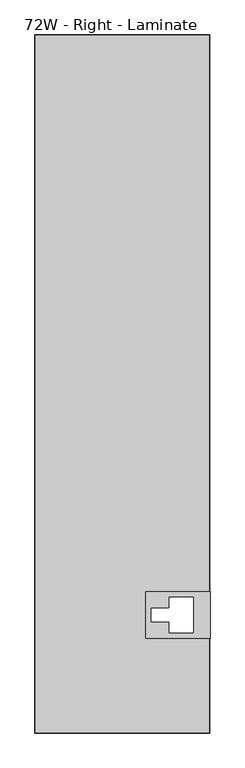
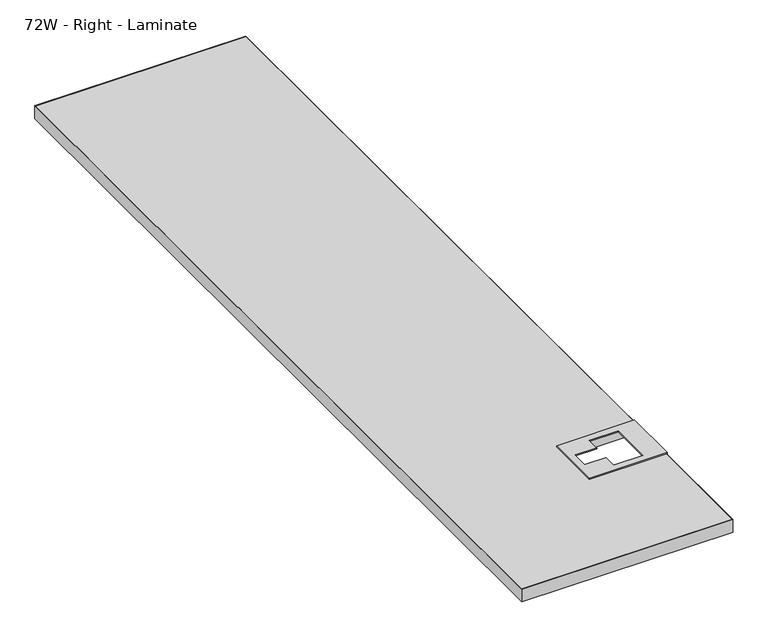
"""IFC4 building model written with IfcOpenShell, lengths in millimetres: furniture geometry, 72W - Right - Laminate."""

from ifc_helpers import new_model, si_unit, frame, origin, place, context, project, spatial, polyline, outline, extrude, faceted_brep, source, transform, mapped, element, save


def furniture_72w_right_laminate_9381bec6(model_context):
    return source(origin(), model_context, "Body", "SolidModel", [
        faceted_brep([(4273.6154005, 245.9624873, 409.5798689), (4441.4721456, 245.9624873, 409.5798689), (4441.4721456, 245.9624873, 379.8896753), (4442.4881456, 245.9624873, 379.8896753), (4442.4881456, 245.9624873, 411.9798677), (4273.6154005, 245.9624873, 411.9798677), (4273.6154005, 368.6703371, 409.5798689), (4273.6154005, 368.6703371, 411.9798677), (4442.4881456, 368.6703371, 411.9798677), (4442.4881456, 368.6703371, 379.8896753), (4441.4721456, 368.6703371, 379.8896753), (4441.4721456, 368.6703371, 409.5798689), (4289.0721456, 289.7887093, 411.9798677), (4289.0721456, 324.8929323, 411.9798677), (4335.302754, 324.8929323, 411.9798677), (4335.302754, 353.5482623, 411.9798677), (4398.802754, 353.5482623, 411.9798677), (4398.802754, 261.051292, 411.9798677), (4335.302754, 261.051292, 411.9798677), (4335.302754, 289.7887093, 411.9798677), (4335.302754, 289.7887093, 409.5798689), (4335.302754, 261.051292, 409.5798689), (4398.802754, 261.051292, 409.5798689), (4398.802754, 353.5482623, 409.5798689), (4335.302754, 353.5482623, 409.5798689), (4335.302754, 324.8929323, 409.5798689), (4289.0721456, 324.8929323, 409.5798689), (4289.0721456, 289.7887093, 409.5798689)], [[[0, 1, 2, 3, 4, 5]], [[6, 7, 8, 9, 10, 11]], [[5, 7, 6, 0]], [[4, 8, 7, 5], [12, 13, 14, 15, 16, 17, 18, 19]], [[3, 9, 8, 4]], [[2, 10, 9, 3]], [[1, 11, 10, 2]], [[0, 6, 11, 1], [20, 21, 22, 23, 24, 25, 26, 27]], [[20, 27, 12, 19]], [[19, 18, 21, 20]], [[18, 17, 22, 21]], [[17, 16, 23, 22]], [[16, 15, 24, 23]], [[15, 14, 25, 24]], [[14, 13, 26, 25]], [[27, 26, 13, 12]]]),
        extrude(outline(polyline([(4440.4799581, 1825.9040208), (4440.4799581, 368.6703371), (4273.6154005, 368.6703371), (4273.6154005, 245.9624873), (4440.4799581, 245.9624873), (4440.4799581, -0.9116042), (3984.6690206, -0.9116042), (3984.6690206, 1825.9040208), (4440.4799581, 1825.9040208)])), frame((0.0, 0.0, 379.8896753), z_axis=(0.0, 0.0, 1.0), x_axis=(1.0, 0.0, 0.0)), (0.0, 0.0, 1.0), 29.6901936),
        extrude(outline(polyline([(4441.4721456, -1.9276042), (3983.6768331, -1.9276042), (3983.6768331, 1826.8723958), (4441.4721456, 1826.8723958), (4441.4721456, -1.9276042)]), holes=[polyline([(3984.6690206, 1825.9040208), (3984.6690206, -0.9116042), (4440.4799581, -0.9116042), (4440.4799581, 1825.9040208), (3984.6690206, 1825.9040208)])]), frame((0.0, 0.0, 379.8896753), z_axis=(0.0, 0.0, 1.0), x_axis=(1.0, 0.0, 0.0)), (0.0, 0.0, 1.0), 29.6901936),
    ])


if __name__ == "__main__":
    model = new_model("IFC4")
    model_context = context("Model", 3, world=origin())
    ifc_project = project(units=[si_unit("LENGTHUNIT", "METRE", prefix="MILLI")], contexts=[model_context])
    site = spatial("IfcSite", under=ifc_project)
    building = spatial("IfcBuilding", under=site)
    placement = place(None, origin())
    furniture_72w_right_laminate_shape = furniture_72w_right_laminate_9381bec6(model_context)
    element("IfcFurniture", 1, ObjectType="72W - Right - Laminate", at=placement, inside=building, context=model_context, shape_type="MappedRepresentation", body=[
        mapped(furniture_72w_right_laminate_shape, transform((0.0, 0.0, 0.0), x_axis=(1.0, 0.0, 0.0), y_axis=(0.0, 1.0, 0.0), z_axis=(0.0, 0.0, 1.0))),
    ])
    save(model, "model.ifc")
